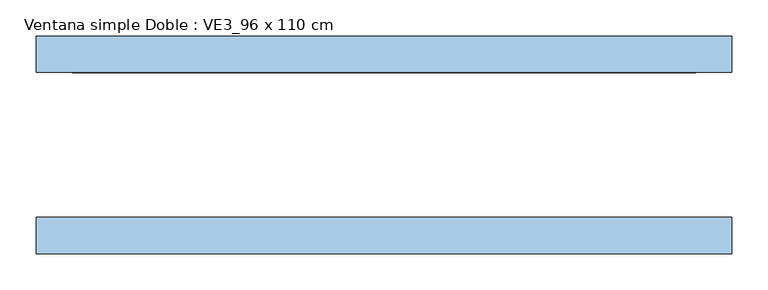
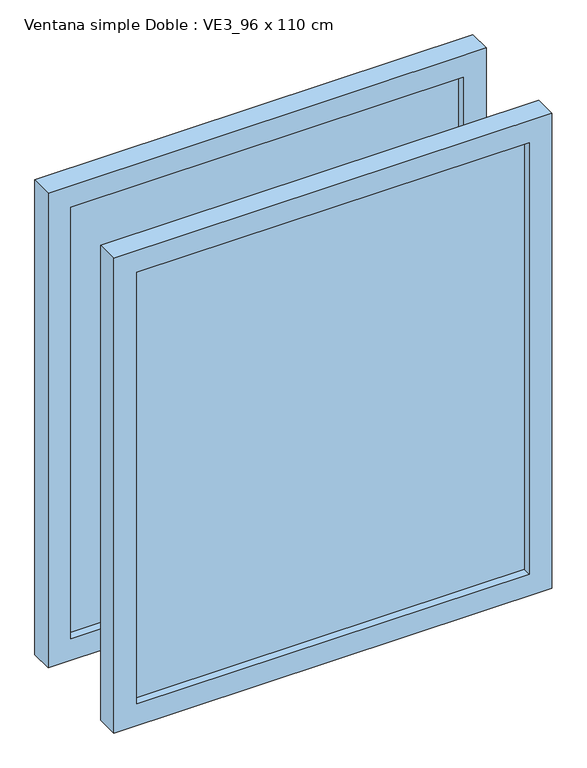
"""IFC4 building model written with IfcOpenShell, lengths in millimetres: window geometry, Ventana simple Doble : VE3_96 x 110 cm."""

from ifc_helpers import new_model, si_unit, frame, origin, place, context, project, spatial, polyline, outline, extrude, source, transform, mapped, element, save


def ventana_simple_doble_ve3_96_x_110_cm_a329b260(model_context):
    return source(origin(), model_context, "Body", "SweptSolid", [
        extrude(outline(polyline([(430.0, -131.5), (-430.0, -131.5), (-430.0, -118.5), (430.0, -118.5), (430.0, -131.5)])), frame((0.0, 0.0, 850.0), z_axis=(0.0, 0.0, 1.0), x_axis=(1.0, 0.0, 0.0)), (0.0, 0.0, 1.0), 1000.0),
        extrude(outline(polyline([(800.0, 480.0), (1900.0, 480.0), (1900.0, -480.0), (800.0, -480.0), (800.0, 480.0)]), holes=[polyline([(1850.0, 430.0), (850.0, 430.0), (850.0, -430.0), (1850.0, -430.0), (1850.0, 430.0)])]), frame((0.0, -150.0, 0.0), z_axis=(0.0, 1.0, 0.0), x_axis=(0.0, 0.0, 1.0)), (0.0, 0.0, 1.0), 50.0),
        extrude(outline(polyline([(430.0, 131.5), (430.0, 118.5), (-430.0, 118.5), (-430.0, 131.5), (430.0, 131.5)])), frame((0.0, 0.0, 850.0), z_axis=(0.0, 0.0, 1.0), x_axis=(1.0, 0.0, 0.0)), (0.0, 0.0, 1.0), 1000.0),
        extrude(outline(polyline([(1900.0, 480.0), (1900.0, -480.0), (800.0, -480.0), (800.0, 480.0), (1900.0, 480.0)]), holes=[polyline([(850.0, 430.0), (850.0, -430.0), (1850.0, -430.0), (1850.0, 430.0), (850.0, 430.0)])]), frame((0.0, 100.0, 0.0), z_axis=(0.0, 1.0, 0.0), x_axis=(0.0, 0.0, 1.0)), (0.0, 0.0, 1.0), 50.0),
    ])


if __name__ == "__main__":
    model = new_model("IFC4")
    model_context = context("Model", 3, world=origin())
    ifc_project = project(units=[si_unit("LENGTHUNIT", "METRE", prefix="MILLI")], contexts=[model_context])
    site = spatial("IfcSite", under=ifc_project)
    building = spatial("IfcBuilding", under=site)
    placement = place(None, origin())
    ventana_simple_doble_ve3_96_x_110_cm_shape = ventana_simple_doble_ve3_96_x_110_cm_a329b260(model_context)
    element("IfcWindow", 1, ObjectType="Ventana simple Doble : VE3_96 x 110 cm", at=placement, inside=building, context=model_context, shape_type="MappedRepresentation", body=[
        mapped(ventana_simple_doble_ve3_96_x_110_cm_shape, transform((0.0, 0.0, 0.0), x_axis=(1.0, 0.0, 0.0), y_axis=(0.0, 1.0, 0.0), z_axis=(0.0, 0.0, 1.0))),
    ])
    save(model, "model.ifc")
